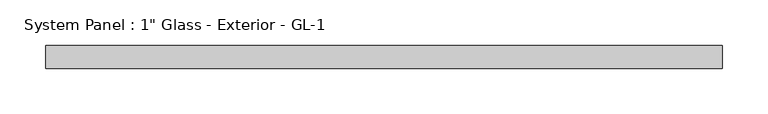
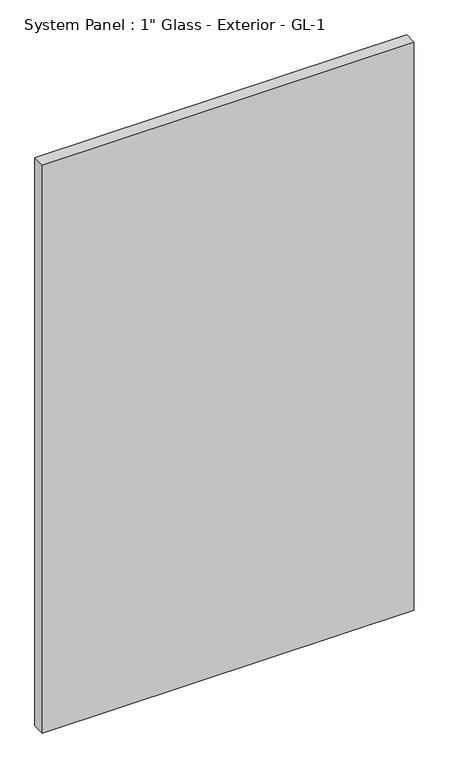
"""IFC4 building model written with IfcOpenShell, lengths in millimetres: plate geometry."""

from ifc_helpers import new_model, si_unit, origin, origin_with_axes, place, context, project, spatial, polyline, outline, extrude, source, transform, mapped, element, save


def plate_fd20e3dd(model_context):
    return source(origin(), model_context, "Body", "SweptSolid", [
        extrude(outline(polyline([(371.475, 12.7), (-371.475, 12.7), (-371.475, 38.1), (371.475, 38.1), (371.475, 12.7)])), origin_with_axes(), (0.0, 0.0, 1.0), 1200.15),
    ])


if __name__ == "__main__":
    model = new_model("IFC4")
    model_context = context("Model", 3, world=origin())
    ifc_project = project(units=[si_unit("LENGTHUNIT", "METRE", prefix="MILLI")], contexts=[model_context])
    site = spatial("IfcSite", under=ifc_project)
    building = spatial("IfcBuilding", under=site)
    placement = place(None, origin())
    plate_shape = plate_fd20e3dd(model_context)
    element("IfcPlate", 1, ObjectType="System Panel : 1\" Glass - Exterior - GL-1", at=placement, inside=building, context=model_context, shape_type="MappedRepresentation", body=[
        mapped(plate_shape, transform((0.0, 0.0, 0.0), x_axis=(1.0, 0.0, 0.0), y_axis=(0.0, 1.0, 0.0), z_axis=(0.0, 0.0, 1.0))),
    ])
    save(model, "model.ifc")
